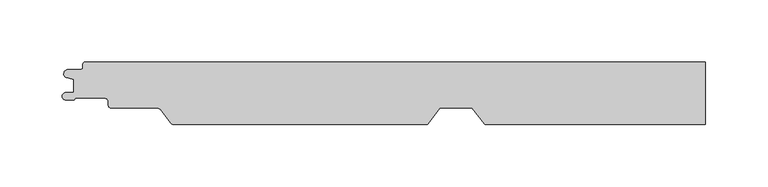
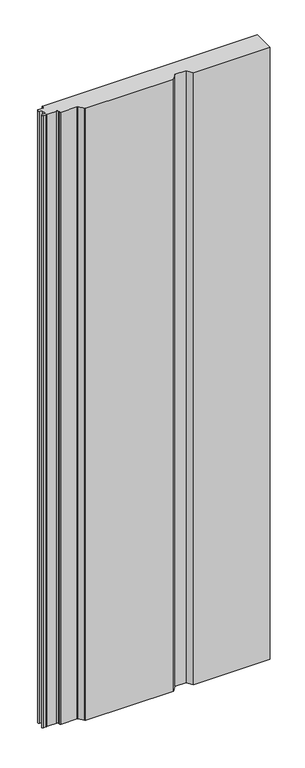
"""IFC4 building model written with IfcOpenShell, lengths in millimetres: proxy geometry."""

from ifc_helpers import new_model, si_unit, point, frame_2d, origin, origin_with_axes, place, context, project, spatial, polyline, circle_curve, trimmed, segment, composite_curve, outline, extrude, source, transform, mapped, element, save


def generic_models_a9d3b428(model_context):
    return source(origin(), model_context, "Body", "SweptSolid", [
        extrude(outline(composite_curve([segment(polyline([(-498.3, 25.0), (-3e-07, 25.0), (-3e-07, -25.0), (-177.0, -25.0), (-187.3999029, -12.0), (-212.9844163, -12.0), (-223.3843192, -25.0), (-427.4622812, -25.0)]), True, "CONTINUOUS"), segment(trimmed(circle_curve(frame_2d((-427.4622812, -22.9)), 2.1), [point((-427.4622812, -25.0))], [point((-429.1021057, -24.2118596))], False, "CARTESIAN"), True, "CONTINUOUS"), segment(polyline([(-429.1021057, -24.2118596), (-438.1509234, -12.9008374)]), True, "CONTINUOUS"), segment(trimmed(circle_curve(frame_2d((-440.0250086, -14.4001056)), 2.4), [point((-438.1509234, -12.9008374))], [point((-440.0250086, -12.0001056))], True, "CARTESIAN"), True, "CONTINUOUS"), segment(polyline([(-440.0250086, -12.0001056), (-477.1999474, -12.0001056)]), True, "CONTINUOUS"), segment(trimmed(circle_curve(frame_2d((-477.1999474, -9.6001056)), 2.4), [point((-477.1999474, -12.0001056))], [point((-479.5999474, -9.6001056))], False, "CARTESIAN"), True, "CONTINUOUS"), segment(polyline([(-479.5999474, -9.6001056), (-479.5999474, -7.3004705)]), True, "CONTINUOUS"), segment(trimmed(circle_curve(frame_2d((-482.9999474, -7.3004705)), 3.4), [point((-479.5999474, -7.3004705))], [point((-482.9999474, -3.9004705))], True, "CARTESIAN"), True, "CONTINUOUS"), segment(polyline([(-482.9999474, -3.9004705), (-505.0374222, -3.9004705)]), True, "CONTINUOUS"), segment(trimmed(circle_curve(frame_2d((-505.0374222, -5.9004705)), 2.0), [point((-505.0374222, -3.9004705))], [point((-506.7792948, -4.9176786))], True, "CARTESIAN"), True, "CONTINUOUS"), segment(trimmed(circle_curve(frame_2d((-508.5138365, -3.7784532)), 2.0752035), [point((-506.7792948, -4.9176786))], [point((-507.3945609, -5.5259348))], False, "CARTESIAN"), True, "CONTINUOUS"), segment(polyline([(-507.3945609, -5.5259348), (-513.6706314, -5.5259348)]), True, "CONTINUOUS"), segment(trimmed(circle_curve(frame_2d((-513.6706314, -2.5444825)), 2.9814522), [point((-513.6706314, -5.5259348))], [point((-513.6706314, 0.4369697))], False, "CARTESIAN"), True, "CONTINUOUS"), segment(polyline([(-513.6706314, 0.4369697), (-507.347117, 0.4369697), (-507.347117, 11.115907), (-512.8423385, 12.3845788)]), True, "CONTINUOUS"), segment(trimmed(circle_curve(frame_2d((-512.1, 15.6)), 3.3), [point((-512.8423385, 12.3845788))], [point((-512.1, 18.9))], False, "CARTESIAN"), True, "CONTINUOUS"), segment(polyline([(-512.1, 18.9), (-502.3, 18.9)]), True, "CONTINUOUS"), segment(trimmed(circle_curve(frame_2d((-502.3, 21.2)), 2.3), [point((-502.3, 18.9))], [point((-500.0, 21.2))], True, "CARTESIAN"), True, "CONTINUOUS"), segment(polyline([(-500.0, 21.2), (-500.0, 23.3)]), True, "CONTINUOUS"), segment(trimmed(circle_curve(frame_2d((-498.3, 23.3)), 1.7), [point((-500.0, 23.3))], [point((-498.3, 25.0))], False, "CARTESIAN"), True, "CONTINUOUS")], self_intersect=False)), origin_with_axes(), (0.0, 0.0, 1.0), 1500.0),
    ])


if __name__ == "__main__":
    model = new_model("IFC4")
    model_context = context("Model", 3, world=origin())
    ifc_project = project(units=[si_unit("LENGTHUNIT", "METRE", prefix="MILLI")], contexts=[model_context])
    site = spatial("IfcSite", under=ifc_project)
    building = spatial("IfcBuilding", under=site)
    placement = place(None, origin())
    generic_models_shape = generic_models_a9d3b428(model_context)
    element("IfcBuildingElementProxy", 1, Name="Generic Models", at=placement, inside=building, context=model_context, shape_type="MappedRepresentation", body=[
        mapped(generic_models_shape, transform((0.0, 0.0, 0.0), x_axis=(1.0, 0.0, 0.0), y_axis=(0.0, 1.0, 0.0), z_axis=(0.0, 0.0, 1.0))),
    ])
    save(model, "model.ifc")
